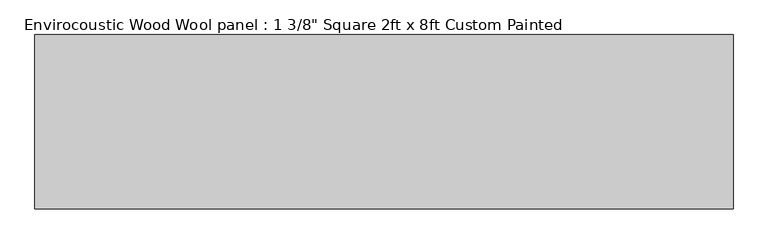
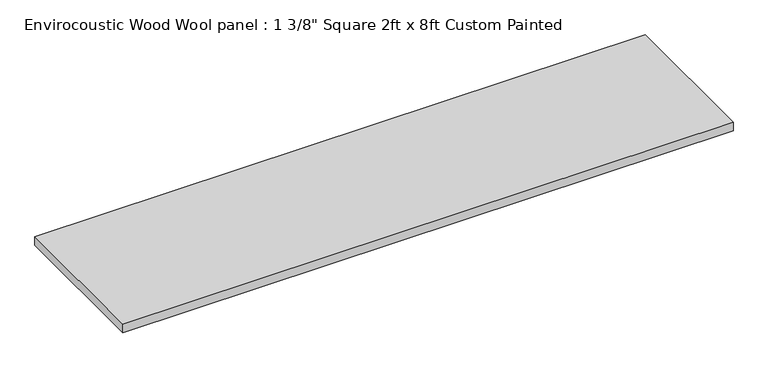
"""IFC4 building model written with IfcOpenShell, lengths in millimetres: proxy geometry."""

from ifc_helpers import new_model, si_unit, origin, origin_with_axes, place, context, project, spatial, polyline, outline, extrude, source, transform, mapped, element, save


def proxy_32d0c7e8(model_context):
    return source(origin(), model_context, "Body", "SweptSolid", [
        extrude(outline(polyline([(-1219.2, 304.8), (1219.2, 304.8), (1219.2, -304.8), (-1219.2, -304.8), (-1219.2, 304.8)])), origin_with_axes(), (0.0, 0.0, 1.0), 34.925),
    ])


if __name__ == "__main__":
    model = new_model("IFC4")
    model_context = context("Model", 3, world=origin())
    ifc_project = project(units=[si_unit("LENGTHUNIT", "METRE", prefix="MILLI")], contexts=[model_context])
    site = spatial("IfcSite", under=ifc_project)
    building = spatial("IfcBuilding", under=site)
    placement = place(None, origin())
    proxy_shape = proxy_32d0c7e8(model_context)
    element("IfcBuildingElementProxy", 1, Name="Envirocoustic Wood Wool panel : 1 3/8\" Square 2ft x 8ft Custom Painted", ObjectType="Envirocoustic Wood Wool panel : 1 3/8\" Square 2ft x 8ft Custom Painted", at=placement, inside=building, context=model_context, shape_type="MappedRepresentation", body=[
        mapped(proxy_shape, transform((0.0, 0.0, 0.0), x_axis=(1.0, 0.0, 0.0), y_axis=(0.0, 1.0, 0.0), z_axis=(0.0, 0.0, 1.0))),
    ])
    save(model, "model.ifc")
